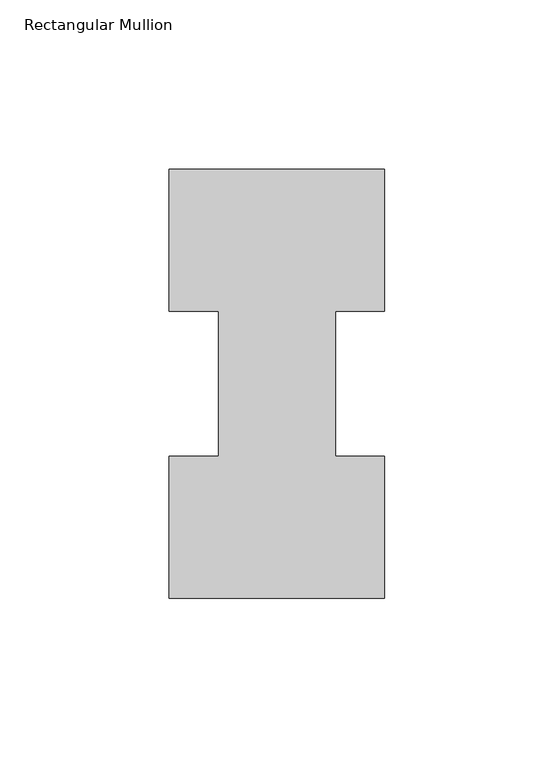
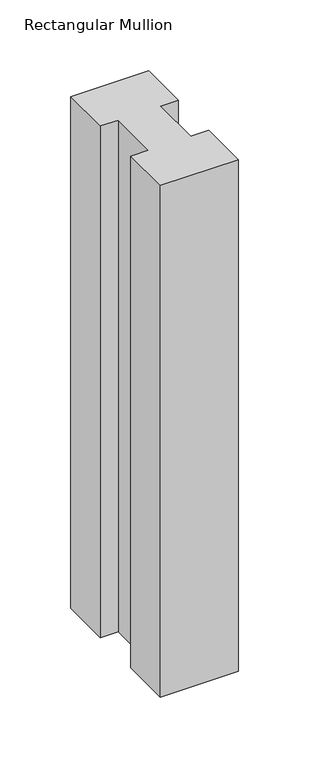
"""IFC4 building model written with IfcOpenShell, lengths in millimetres: member geometry, Rectangular Mullion."""

import ifcopenshell
import ifcopenshell.guid

model = None  # the IFC model being written
_history = None  # IfcOwnerHistory: only IFC2X3 demands one
_inside = {}  # id of a spatial element -> (the spatial element, [elements in it])
_under = {}  # id of a project, library or spatial element -> (it, [spatial elements below it])
_declared = {}  # id of a project -> (the project, [libraries it declares])
_typed = {}  # id of a type object -> (the type object, [elements of that type])
_made_of = {}  # id of a material, layer set ... -> (it, [elements and type objects made of it])


def new_model(schema):
    """Start an empty IFC model of exactly this schema.

    Asked for "IFC4X3", IfcOpenShell would pick the latest addendum, in which some entities
    have other attributes; the version numbers below select the first issue.
    IFC2X3 requires an IfcOwnerHistory on every rooted entity: one is made here for all.
    """
    global model, _history
    if schema == "IFC4X3":
        model = ifcopenshell.file(schema_version=(4, 3, 0, 0))
    else:
        model = ifcopenshell.file(schema=schema)
    _inside.clear()
    _under.clear()
    _declared.clear()
    _typed.clear()
    _made_of.clear()
    _history = None
    if model.schema == "IFC2X3":
        org = make("IfcOrganization", Name="unknown")
        user = make(
            "IfcPersonAndOrganization",
            ThePerson=make("IfcPerson", FamilyName="unknown"),
            TheOrganization=org,
        )
        app = make(
            "IfcApplication",
            ApplicationDeveloper=org,
            Version="unknown",
            ApplicationFullName="unknown",
            ApplicationIdentifier="unknown",
        )
        _history = make(
            "IfcOwnerHistory",
            OwningUser=user,
            OwningApplication=app,
            ChangeAction="ADDED",
            CreationDate=0,
        )
    return model


def make(cls, **values):
    """One entity of the class cls with the attributes given. An attribute that is None is left unset."""
    return model.create_entity(
        cls, **{name: value for name, value in values.items() if value is not None}
    )


def rooted(cls, **values):
    """An entity with a GlobalId (a new one), such as an element, a storey or a relation."""
    return make(cls, GlobalId=ifcopenshell.guid.new(), OwnerHistory=_history, **values)


def si_unit(unit_type, name, prefix=None):
    """IfcSIUnit, for example si_unit("LENGTHUNIT", "METRE", prefix="MILLI")."""
    return make("IfcSIUnit", UnitType=unit_type, Prefix=prefix, Name=name)


def assignment(units):
    """IfcUnitAssignment: the units of a project."""
    return None if units is None else make("IfcUnitAssignment", Units=units)


def point(xyz):
    """IfcCartesianPoint."""
    return None if xyz is None else make("IfcCartesianPoint", Coordinates=xyz)


def direction(xyz):
    """IfcDirection."""
    return None if xyz is None else make("IfcDirection", DirectionRatios=xyz)


def frame(location, z_axis=None, x_axis=None):
    """IfcAxis2Placement3D, a coordinate frame: its origin and axes. An axis left out is left unset."""
    return make(
        "IfcAxis2Placement3D",
        Location=point(location),
        Axis=direction(z_axis),
        RefDirection=direction(x_axis),
    )


def origin():
    """The frame at (0, 0, 0) with its axes left unset."""
    return frame((0.0, 0.0, 0.0))


def place(relative_to, where):
    """IfcLocalPlacement: puts the frame where relative to a parent placement (None: the world)."""
    return make(
        "IfcLocalPlacement", PlacementRelTo=relative_to, RelativePlacement=where
    )


def context(
    kind, dimensions, precision=None, world=None, true_north=None, identifier=None
):
    """IfcGeometricRepresentationContext, for example the 3D "Model" context."""
    return make(
        "IfcGeometricRepresentationContext",
        ContextIdentifier=identifier,
        ContextType=kind,
        CoordinateSpaceDimension=dimensions,
        Precision=precision,
        WorldCoordinateSystem=world,
        TrueNorth=true_north,
    )


def project(units=None, contexts=None):
    """IfcProject with its units and contexts."""
    return rooted(
        "IfcProject",
        Name="project",
        RepresentationContexts=contexts,
        UnitsInContext=assignment(units),
    )


def spatial(cls, under=None, at=None, **own):
    """A site, building, storey or space (cls), placed at a placement, below another one or the project."""
    s = rooted(cls, ObjectPlacement=at, **own)
    if under is not None:
        _under.setdefault(under.id(), (under, []))[1].append(s)
    return s


def polyline(points):
    """IfcPolyline through the points."""
    return make("IfcPolyline", Points=[point(p) for p in points])


def outline(outer, holes=None, kind="AREA"):
    """IfcArbitraryClosedProfileDef: a profile drawn as a closed curve; with holes, ...WithVoids."""
    if holes is None:
        return make("IfcArbitraryClosedProfileDef", ProfileType=kind, OuterCurve=outer)
    return make(
        "IfcArbitraryProfileDefWithVoids",
        ProfileType=kind,
        OuterCurve=outer,
        InnerCurves=holes,
    )


def extrude(swept, where, along, depth):
    """IfcExtrudedAreaSolid: the profile swept, set in the frame where, extruded along a direction by depth."""
    return make(
        "IfcExtrudedAreaSolid",
        SweptArea=swept,
        Position=where,
        ExtrudedDirection=direction(along),
        Depth=depth,
    )


def shape(context_of_items, identifier, shape_type, items):
    """IfcShapeRepresentation: the items that make up one representation, for example the "Body"."""
    return make(
        "IfcShapeRepresentation",
        ContextOfItems=context_of_items,
        RepresentationIdentifier=identifier,
        RepresentationType=shape_type,
        Items=items,
    )


def source(mapping_origin, context_of_items, identifier, shape_type, items):
    """IfcRepresentationMap: a shape defined once, which mapped items show again and again."""
    return make(
        "IfcRepresentationMap",
        MappingOrigin=mapping_origin,
        MappedRepresentation=shape(context_of_items, identifier, shape_type, items),
    )


def transform(
    local_origin,
    x_axis=None,
    y_axis=None,
    z_axis=None,
    scale=None,
    scale2=None,
    scale3=None,
    uniform=True,
):
    """IfcCartesianTransformationOperator3D, or its non-uniform kind. x_axis, y_axis, z_axis: its Axis1, 2, 3."""
    if uniform:
        return make(
            "IfcCartesianTransformationOperator3D",
            Axis1=direction(x_axis),
            Axis2=direction(y_axis),
            LocalOrigin=point(local_origin),
            Scale=scale,
            Axis3=direction(z_axis),
        )
    return make(
        "IfcCartesianTransformationOperator3DnonUniform",
        Axis1=direction(x_axis),
        Axis2=direction(y_axis),
        LocalOrigin=point(local_origin),
        Scale=scale,
        Axis3=direction(z_axis),
        Scale2=scale2,
        Scale3=scale3,
    )


def mapped(mapping_source, mapping_target):
    """IfcMappedItem: shows the shape of a source again, moved by a transform."""
    return make(
        "IfcMappedItem", MappingSource=mapping_source, MappingTarget=mapping_target
    )


def made_of(thing, what):
    """Note that an element or type object is made of a material, layer set ...; save() writes the relation."""
    if what is not None:
        _made_of.setdefault(what.id(), (what, []))[1].append(thing)
    return thing


def element(
    cls,
    number,
    at=None,
    inside=None,
    cuts=None,
    type_object=None,
    material=None,
    context=None,
    identifier="Body",
    shape_type=None,
    held_by="IfcProductDefinitionShape",
    body=None,
    shapes=None,
    **own,
):
    """One element of the class cls, such as IfcWall. Its Tag is "e" and its number.

    at: its placement. inside: the storey or other place that contains it. cuts: it is an
    opening in that element (IfcRelVoidsElement). A single representation is given by context,
    identifier, shape_type and body (its items); several are given by shapes. held_by: the class
    of the entity that holds the representations. save() writes the other relations.
    """
    e = rooted(cls, Tag="e%d" % number, ObjectPlacement=at, **own)
    if body is not None:
        shapes = [shape(context, identifier, shape_type, body)]
    if shapes is not None:
        e.Representation = make(held_by, Representations=shapes)
    if inside is not None:
        _inside.setdefault(inside.id(), (inside, []))[1].append(e)
    if cuts is not None:
        rooted(
            "IfcRelVoidsElement", RelatingBuildingElement=cuts, RelatedOpeningElement=e
        )
    if type_object is not None:
        _typed.setdefault(type_object.id(), (type_object, []))[1].append(e)
    return made_of(e, material)


def aggregate(whole, parts):
    """IfcRelAggregates: a whole, such as a stair, and the parts it consists of."""
    return rooted("IfcRelAggregates", RelatingObject=whole, RelatedObjects=parts)


def save(model, path):
    """Write the relations noted so far, then the file.

    IfcRelAggregates (storeys below a building ...), IfcRelContainedInSpatialStructure (elements
    in a storey), IfcRelDefinesByType, IfcRelAssociatesMaterial and IfcRelDeclares: one each for
    every whole, place, type object, material and project.
    """
    for whole, parts in _under.values():
        aggregate(whole, parts)
    for where, things in _inside.values():
        rooted(
            "IfcRelContainedInSpatialStructure",
            RelatedElements=things,
            RelatingStructure=where,
        )
    for kind, things in _typed.values():
        rooted("IfcRelDefinesByType", RelatedObjects=things, RelatingType=kind)
    for what, things in _made_of.values():
        rooted("IfcRelAssociatesMaterial", RelatedObjects=things, RelatingMaterial=what)
    for by, libraries in _declared.values():
        rooted("IfcRelDeclares", RelatingContext=by, RelatedDefinitions=libraries)
    model.write(path)


def rectangular_mullion_a5d85c41(model_context):
    return source(origin(), model_context, "Body", "SweptSolid", [
        extrude(outline(polyline([(-63.5, 0.26035), (-63.5, 42.0829753), (-49.0000192, 42.0829753), (-49.0000192, 84.93125), (-63.5, 84.93125), (-63.5, 126.75235), (0.0, 126.75235), (0.0, 84.93125), (-14.4999808, 84.93125), (-14.4999808, 42.1178757), (0.0, 42.1178757), (0.0, 0.26035), (-63.5, 0.26035)])), frame((0.0, 0.0, -441.325), z_axis=(0.0, 0.0, 1.0), x_axis=(1.0, 0.0, 0.0)), (0.0, 0.0, 1.0), 441.325),
    ])


if __name__ == "__main__":
    model = new_model("IFC4")
    model_context = context("Model", 3, world=origin())
    ifc_project = project(units=[si_unit("LENGTHUNIT", "METRE", prefix="MILLI")], contexts=[model_context])
    site = spatial("IfcSite", under=ifc_project)
    building = spatial("IfcBuilding", under=site)
    placement = place(None, origin())
    rectangular_mullion_shape = rectangular_mullion_a5d85c41(model_context)
    element("IfcMember", 1, ObjectType="Rectangular Mullion", at=placement, inside=building, context=model_context, shape_type="MappedRepresentation", body=[
        mapped(rectangular_mullion_shape, transform((0.0, 0.0, 0.0), x_axis=(1.0, 0.0, 0.0), y_axis=(0.0, 1.0, 0.0), z_axis=(0.0, 0.0, 1.0))),
    ])
    save(model, "model.ifc")
